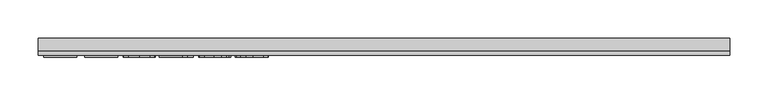
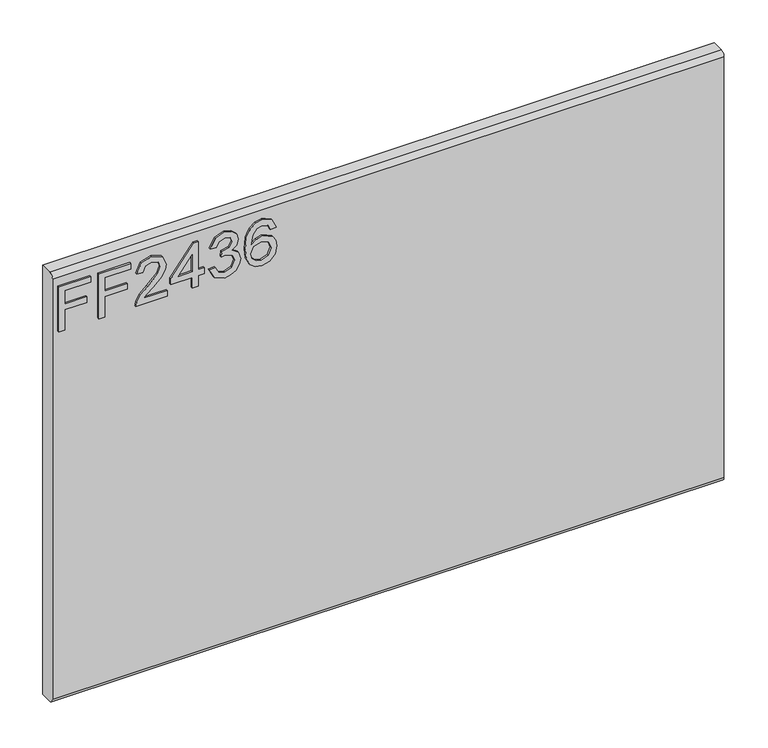
"""IFC4 building model written with IfcOpenShell, lengths in millimetres: furniture geometry."""

from ifc_helpers import new_model, si_unit, frame, origin, place, context, project, spatial, polyline, circle_curve, outline, extrude, source, transform, mapped, element, save
from ifc_brep_helpers import plane_surface, cylinder_surface, advanced_brep


def furniture_d7667dba(model_context):
    return source(origin(), model_context, "Body", "SolidModel", [
        extrude(outline(polyline([(679.45, -443.8729953), (679.45, -435.8992757), (708.3547336, -435.8992757), (708.3547336, -405.9978271), (716.3284532, -405.9978271), (716.3284532, -435.8992757), (735.2660373, -435.8992757), (735.2660373, -401.0142524), (743.2397569, -401.0142524), (743.2397569, -443.8729953), (679.45, -443.8729953)])), frame((0.0, -15.0812439, 0.0), z_axis=(0.0, 1.0, 0.0), x_axis=(0.0, 0.0, 1.0)), (0.0, 0.0, 1.0), 2.38125),
        extrude(outline(polyline([(679.45, -390.0503879), (679.45, -382.0766683), (708.3547336, -382.0766683), (708.3547336, -352.1752197), (716.3284532, -352.1752197), (716.3284532, -382.0766683), (735.2660373, -382.0766683), (735.2660373, -347.191645), (743.2397569, -347.191645), (743.2397569, -390.0503879), (679.45, -390.0503879)])), frame((0.0, -15.0812439, 0.0), z_axis=(0.0, 1.0, 0.0), x_axis=(0.0, 0.0, 1.0)), (0.0, 0.0, 1.0), 2.38125),
        extrude(outline(polyline([(687.4237196, -298.3526123), (687.4237196, -329.6712649), (691.4806609, -326.0737469), (699.150694, -316.9008546), (710.0756243, -305.4775668), (717.8936072, -300.7665313), (725.4546245, -299.3493273), (738.1315928, -304.6054413), (743.2397569, -318.8787109), (738.645524, -333.1052594), (725.2988878, -339.2179253), (724.3021729, -331.2442057), (732.3537608, -327.8880796), (735.2660373, -319.0500212), (732.2836793, -310.5701573), (724.9718407, -307.3230469), (715.9391115, -310.7648282), (702.65477, -324.5319535), (693.4117962, -334.5146767), (684.9475059, -339.3580884), (679.45, -340.2146403), (679.45, -298.3526123), (687.4237196, -298.3526123)])), frame((0.0, -15.0812439, 0.0), z_axis=(0.0, 1.0, 0.0), x_axis=(0.0, 0.0, 1.0)), (0.0, 0.0, 1.0), 2.38125),
        extrude(outline(polyline([(679.45, -264.4643039), (679.45, -256.4905843), (694.4007243, -256.4905843), (694.4007243, -248.5168647), (702.3744439, -248.5168647), (702.3744439, -256.4905843), (742.243042, -256.4905843), (742.243042, -262.470874), (702.3744439, -293.3690375), (694.4007243, -293.3690375), (694.4007243, -264.4643039), (679.45, -264.4643039)]), holes=[polyline([(702.3744439, -264.4643039), (702.3744439, -283.5576247), (727.0119916, -264.4643039), (702.3744439, -264.4643039)])]), frame((0.0, -15.0812439, 0.0), z_axis=(0.0, 1.0, 0.0), x_axis=(0.0, 0.0, 1.0)), (0.0, 0.0, 1.0), 2.38125),
        extrude(outline(polyline([(696.3941542, -241.53986), (683.4524335, -235.2013759), (678.453285, -221.2162192), (679.9172101, -212.6935277), (684.3089854, -205.7827111), (690.8032063, -201.2040518), (698.5744681, -199.677832), (708.9465331, -202.7302716), (714.397318, -211.4203801), (719.6767925, -204.8794382), (727.0275653, -202.6679769), (735.0713664, -204.9962407), (741.0516562, -211.7240666), (743.2397569, -221.3408086), (738.8012607, -234.0177769), (726.2956028, -240.5431451), (725.2988878, -232.5694255), (732.7742499, -228.660434), (735.2660373, -221.0604825), (732.7976105, -213.553973), (726.5603552, -210.6416965), (719.5210558, -214.6597037), (717.3251682, -224.9850476), (709.3514486, -225.8727469), (710.2235742, -220.2817989), (706.96089, -211.2179223), (698.7146312, -207.6515516), (689.962228, -211.2490697), (686.4270047, -220.9358931), (688.9966604, -229.1665783), (697.3908691, -233.5661404), (696.3941542, -241.53986)])), frame((0.0, -15.0812439, 0.0), z_axis=(0.0, 1.0, 0.0), x_axis=(0.0, 0.0, 1.0)), (0.0, 0.0, 1.0), 2.38125),
        extrude(outline(polyline([(726.2956028, -151.8355143), (738.738966, -157.722362), (743.2397569, -170.321462), (741.4215308, -179.576116), (735.9668525, -186.7205376), (725.1081103, -191.9532911), (709.2268592, -193.6975423), (695.1015395, -192.1265482), (685.6171738, -187.413566), (680.2442572, -180.2087964), (678.453285, -171.1624402), (681.155317, -160.7125069), (688.9421526, -153.4707498), (699.9449512, -150.8387994), (708.1172351, -152.2365364), (714.6309231, -156.4297473), (720.315313, -169.9788412), (718.2362279, -178.6923102), (711.8743833, -185.7238227), (726.0853582, -183.4578535), (733.3349021, -178.0148555), (735.2660373, -170.8198194), (731.9488454, -162.8305261), (725.2988878, -159.8092339), (726.2956028, -151.8355143)]), holes=[polyline([(700.0695406, -185.7238227), (708.95432, -181.7603234), (712.3415934, -172.1124341), (708.95432, -162.3399555), (699.6801988, -158.812519), (689.9933754, -162.3866765), (686.4270047, -171.785387), (688.1478953, -178.9726363), (693.1626174, -183.8783427), (700.0695406, -185.7238227)])]), frame((0.0, -15.0812439, 0.0), z_axis=(0.0, 1.0, 0.0), x_axis=(0.0, 0.0, 1.0)), (0.0, 0.0, 1.0), 2.38125),
        advanced_brep(
        [(450.85, 9.5250061, 762.0), (450.85, -6.7309939, 762.0), (450.85, -12.6999939, 756.031), (450.85, -12.6999939, 158.369), (450.85, -6.7309939, 152.4), (450.85, 9.5250061, 152.4), (-450.85, 9.5250061, 762.0), (-450.85, 9.5250061, 152.4), (-450.85, -6.7309939, 152.4), (-450.85, -12.6999939, 158.369), (-450.85, -12.6999939, 756.0310121), (-450.85, -6.7309939, 762.0)],
        [
            (0, 1),
            (1, 2, circle_curve(frame((450.85, -6.7309939, 756.031), z_axis=(1.0, 0.0, 0.0), x_axis=(0.0, 1.0, 0.0)), 5.969)),
            (2, 3),
            (3, 4, circle_curve(frame((450.85, -6.7309939, 158.369), z_axis=(1.0, 0.0, 0.0), x_axis=(0.0, 1.0, 0.0)), 5.969)),
            (4, 5),
            (5, 0),
            (6, 7),
            (7, 8),
            (8, 9, circle_curve(frame((-450.85, -6.7309939, 158.369), z_axis=(-1.0, 0.0, 0.0), x_axis=(0.0, 1.0, 0.0)), 5.969)),
            (9, 10),
            (10, 11, circle_curve(frame((-450.85, -6.7309939, 756.031), z_axis=(-1.0, 0.0, 0.0), x_axis=(0.0, 1.0, 0.0)), 5.969)),
            (11, 6),
            (0, 6),
            (11, 1),
            (10, 2),
            (9, 3),
            (8, 4),
            (7, 5),
        ],
        [
            plane_surface(frame((450.85, -6.7309939, 762.0), z_axis=(1.0, 0.0, 0.0), x_axis=(0.0, -1.0, 0.0))),
            plane_surface(frame((-450.85, -6.7309939, 762.0), z_axis=(-1.0, 0.0, 0.0), x_axis=(0.0, 1.0, 0.0))),
            plane_surface(frame((450.85, 9.5250061, 762.0), z_axis=(0.0, 0.0, 1.0), x_axis=(-1.0, 0.0, 0.0))),
            cylinder_surface(frame((-450.85, -6.7309939, 756.031), z_axis=(1.0, 0.0, 0.0), x_axis=(0.0, 1.0, 0.0)), 5.969),
            plane_surface(frame((450.85, -12.6999939, 756.0310121), z_axis=(0.0, -1.0, 0.0), x_axis=(-1.0, 0.0, 0.0))),
            cylinder_surface(frame((-450.85, -6.7309939, 158.369), z_axis=(1.0, 0.0, 0.0), x_axis=(0.0, 1.0, 0.0)), 5.969),
            plane_surface(frame((450.85, -6.7309939, 152.4), z_axis=(0.0, 0.0, -1.0), x_axis=(-1.0, 0.0, 0.0))),
            plane_surface(frame((450.85, 9.5250061, 152.4), z_axis=(0.0, 1.0, 0.0), x_axis=(-1.0, 0.0, 0.0))),
        ],
        [
            (0, [[1, 2, 3, 4, 5, 6]]),
            (1, [[7, 8, 9, 10, 11, 12]]),
            (2, [[-1, 13, -12, 14]]),
            (3, [[-2, -14, -11, 15]]),
            (4, [[-3, -15, -10, 16]]),
            (5, [[-4, -16, -9, 17]]),
            (6, [[-5, -17, -8, 18]]),
            (7, [[-6, -18, -7, -13]]),
        ],
    ),
    ])


if __name__ == "__main__":
    model = new_model("IFC4")
    model_context = context("Model", 3, world=origin())
    ifc_project = project(units=[si_unit("LENGTHUNIT", "METRE", prefix="MILLI")], contexts=[model_context])
    site = spatial("IfcSite", under=ifc_project)
    building = spatial("IfcBuilding", under=site)
    placement = place(None, origin())
    furniture_shape = furniture_d7667dba(model_context)
    element("IfcFurniture", 1, at=placement, inside=building, context=model_context, shape_type="MappedRepresentation", body=[
        mapped(furniture_shape, transform((0.0, 0.0, 0.0), x_axis=(1.0, 0.0, 0.0), y_axis=(0.0, 1.0, 0.0), z_axis=(0.0, 0.0, 1.0))),
    ])
    save(model, "model.ifc")
